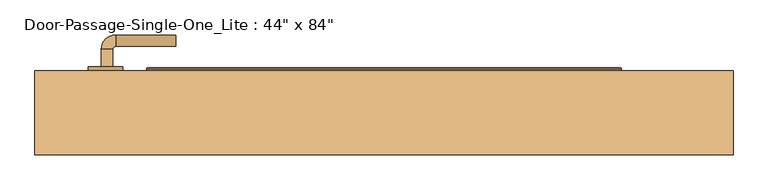
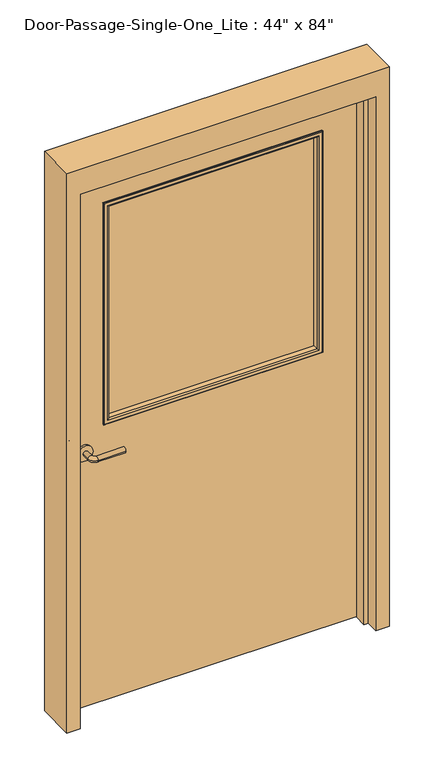
"""IFC4 building model written with IfcOpenShell, lengths in millimetres: door geometry."""

import ifcopenshell
import ifcopenshell.guid

model = None  # the IFC model being written
_history = None  # IfcOwnerHistory: only IFC2X3 demands one
_inside = {}  # id of a spatial element -> (the spatial element, [elements in it])
_under = {}  # id of a project, library or spatial element -> (it, [spatial elements below it])
_declared = {}  # id of a project -> (the project, [libraries it declares])
_typed = {}  # id of a type object -> (the type object, [elements of that type])
_made_of = {}  # id of a material, layer set ... -> (it, [elements and type objects made of it])


def new_model(schema):
    """Start an empty IFC model of exactly this schema.

    Asked for "IFC4X3", IfcOpenShell would pick the latest addendum, in which some entities
    have other attributes; the version numbers below select the first issue.
    IFC2X3 requires an IfcOwnerHistory on every rooted entity: one is made here for all.
    """
    global model, _history
    if schema == "IFC4X3":
        model = ifcopenshell.file(schema_version=(4, 3, 0, 0))
    else:
        model = ifcopenshell.file(schema=schema)
    _inside.clear()
    _under.clear()
    _declared.clear()
    _typed.clear()
    _made_of.clear()
    _history = None
    if model.schema == "IFC2X3":
        org = make("IfcOrganization", Name="unknown")
        user = make(
            "IfcPersonAndOrganization",
            ThePerson=make("IfcPerson", FamilyName="unknown"),
            TheOrganization=org,
        )
        app = make(
            "IfcApplication",
            ApplicationDeveloper=org,
            Version="unknown",
            ApplicationFullName="unknown",
            ApplicationIdentifier="unknown",
        )
        _history = make(
            "IfcOwnerHistory",
            OwningUser=user,
            OwningApplication=app,
            ChangeAction="ADDED",
            CreationDate=0,
        )
    return model


def make(cls, **values):
    """One entity of the class cls with the attributes given. An attribute that is None is left unset."""
    return model.create_entity(
        cls, **{name: value for name, value in values.items() if value is not None}
    )


def rooted(cls, **values):
    """An entity with a GlobalId (a new one), such as an element, a storey or a relation."""
    return make(cls, GlobalId=ifcopenshell.guid.new(), OwnerHistory=_history, **values)


def si_unit(unit_type, name, prefix=None):
    """IfcSIUnit, for example si_unit("LENGTHUNIT", "METRE", prefix="MILLI")."""
    return make("IfcSIUnit", UnitType=unit_type, Prefix=prefix, Name=name)


def assignment(units):
    """IfcUnitAssignment: the units of a project."""
    return None if units is None else make("IfcUnitAssignment", Units=units)


def point(xyz):
    """IfcCartesianPoint."""
    return None if xyz is None else make("IfcCartesianPoint", Coordinates=xyz)


def direction(xyz):
    """IfcDirection."""
    return None if xyz is None else make("IfcDirection", DirectionRatios=xyz)


def frame(location, z_axis=None, x_axis=None):
    """IfcAxis2Placement3D, a coordinate frame: its origin and axes. An axis left out is left unset."""
    return make(
        "IfcAxis2Placement3D",
        Location=point(location),
        Axis=direction(z_axis),
        RefDirection=direction(x_axis),
    )


def frame_2d(location, x_axis=None):
    """IfcAxis2Placement2D, a coordinate frame in the plane: its origin and x axis."""
    return make(
        "IfcAxis2Placement2D", Location=point(location), RefDirection=direction(x_axis)
    )


def origin():
    """The frame at (0, 0, 0) with its axes left unset."""
    return frame((0.0, 0.0, 0.0))


def place(relative_to, where):
    """IfcLocalPlacement: puts the frame where relative to a parent placement (None: the world)."""
    return make(
        "IfcLocalPlacement", PlacementRelTo=relative_to, RelativePlacement=where
    )


def context(
    kind, dimensions, precision=None, world=None, true_north=None, identifier=None
):
    """IfcGeometricRepresentationContext, for example the 3D "Model" context."""
    return make(
        "IfcGeometricRepresentationContext",
        ContextIdentifier=identifier,
        ContextType=kind,
        CoordinateSpaceDimension=dimensions,
        Precision=precision,
        WorldCoordinateSystem=world,
        TrueNorth=true_north,
    )


def project(units=None, contexts=None):
    """IfcProject with its units and contexts."""
    return rooted(
        "IfcProject",
        Name="project",
        RepresentationContexts=contexts,
        UnitsInContext=assignment(units),
    )


def spatial(cls, under=None, at=None, **own):
    """A site, building, storey or space (cls), placed at a placement, below another one or the project."""
    s = rooted(cls, ObjectPlacement=at, **own)
    if under is not None:
        _under.setdefault(under.id(), (under, []))[1].append(s)
    return s


def polyline(points):
    """IfcPolyline through the points."""
    return make("IfcPolyline", Points=[point(p) for p in points])


def circle_curve(where, radius):
    """IfcCircle in the frame where."""
    return make("IfcCircle", Position=where, Radius=radius)


def ellipse_curve(where, semi_axis1, semi_axis2):
    """IfcEllipse in the frame where."""
    return make(
        "IfcEllipse", Position=where, SemiAxis1=semi_axis1, SemiAxis2=semi_axis2
    )


def trimmed(basis, trim1, trim2, sense, master):
    """IfcTrimmedCurve: the piece of a basis curve between two trims."""
    return make(
        "IfcTrimmedCurve",
        BasisCurve=basis,
        Trim1=trim1,
        Trim2=trim2,
        SenseAgreement=sense,
        MasterRepresentation=master,
    )


def segment(curve, same_sense, transition):
    """IfcCompositeCurveSegment."""
    return make(
        "IfcCompositeCurveSegment",
        Transition=transition,
        SameSense=same_sense,
        ParentCurve=curve,
    )


def composite_curve(segments, self_intersect=None):
    """IfcCompositeCurve: segments joined end to end."""
    return make("IfcCompositeCurve", Segments=segments, SelfIntersect=self_intersect)


def outline(outer, holes=None, kind="AREA"):
    """IfcArbitraryClosedProfileDef: a profile drawn as a closed curve; with holes, ...WithVoids."""
    if holes is None:
        return make("IfcArbitraryClosedProfileDef", ProfileType=kind, OuterCurve=outer)
    return make(
        "IfcArbitraryProfileDefWithVoids",
        ProfileType=kind,
        OuterCurve=outer,
        InnerCurves=holes,
    )


def extrude(swept, where, along, depth):
    """IfcExtrudedAreaSolid: the profile swept, set in the frame where, extruded along a direction by depth."""
    return make(
        "IfcExtrudedAreaSolid",
        SweptArea=swept,
        Position=where,
        ExtrudedDirection=direction(along),
        Depth=depth,
    )


def faces_of(points, faces, orient=None, outer=None):
    """IfcFace entities. A face is a list of loops; a loop is a list of indices into points, from 0.

    orient and outer hold one flag for each loop. By default every Orientation is true, the
    first loop of a face is its IfcFaceOuterBound and the others are IfcFaceBound.
    """
    made = []
    for i, loops in enumerate(faces):
        bounds = []
        for j, loop in enumerate(loops):
            is_outer = j == 0 if outer is None else outer[i][j]
            bounds.append(
                make(
                    "IfcFaceOuterBound" if is_outer else "IfcFaceBound",
                    Bound=make("IfcPolyLoop", Polygon=[points[k] for k in loop]),
                    Orientation=True if orient is None else orient[i][j],
                )
            )
        made.append(make("IfcFace", Bounds=bounds))
    return made


def faceted_brep(points, faces, orient=None, outer=None, voids=None):
    """IfcFacetedBrep: a solid bounded by flat faces; with voids (closed shells), ...WithVoids."""
    shared = [point(p) for p in points]
    hull = make("IfcClosedShell", CfsFaces=faces_of(shared, faces, orient, outer))
    if voids is None:
        return make("IfcFacetedBrep", Outer=hull)
    return make(
        "IfcFacetedBrepWithVoids",
        Outer=hull,
        Voids=[
            make(cls, CfsFaces=faces_of(shared, fs, o, b)) for cls, fs, o, b in voids
        ],
    )


def shape(context_of_items, identifier, shape_type, items):
    """IfcShapeRepresentation: the items that make up one representation, for example the "Body"."""
    return make(
        "IfcShapeRepresentation",
        ContextOfItems=context_of_items,
        RepresentationIdentifier=identifier,
        RepresentationType=shape_type,
        Items=items,
    )


def source(mapping_origin, context_of_items, identifier, shape_type, items):
    """IfcRepresentationMap: a shape defined once, which mapped items show again and again."""
    return make(
        "IfcRepresentationMap",
        MappingOrigin=mapping_origin,
        MappedRepresentation=shape(context_of_items, identifier, shape_type, items),
    )


def transform(
    local_origin,
    x_axis=None,
    y_axis=None,
    z_axis=None,
    scale=None,
    scale2=None,
    scale3=None,
    uniform=True,
):
    """IfcCartesianTransformationOperator3D, or its non-uniform kind. x_axis, y_axis, z_axis: its Axis1, 2, 3."""
    if uniform:
        return make(
            "IfcCartesianTransformationOperator3D",
            Axis1=direction(x_axis),
            Axis2=direction(y_axis),
            LocalOrigin=point(local_origin),
            Scale=scale,
            Axis3=direction(z_axis),
        )
    return make(
        "IfcCartesianTransformationOperator3DnonUniform",
        Axis1=direction(x_axis),
        Axis2=direction(y_axis),
        LocalOrigin=point(local_origin),
        Scale=scale,
        Axis3=direction(z_axis),
        Scale2=scale2,
        Scale3=scale3,
    )


def mapped(mapping_source, mapping_target):
    """IfcMappedItem: shows the shape of a source again, moved by a transform."""
    return make(
        "IfcMappedItem", MappingSource=mapping_source, MappingTarget=mapping_target
    )


def made_of(thing, what):
    """Note that an element or type object is made of a material, layer set ...; save() writes the relation."""
    if what is not None:
        _made_of.setdefault(what.id(), (what, []))[1].append(thing)
    return thing


def element(
    cls,
    number,
    at=None,
    inside=None,
    cuts=None,
    type_object=None,
    material=None,
    context=None,
    identifier="Body",
    shape_type=None,
    held_by="IfcProductDefinitionShape",
    body=None,
    shapes=None,
    **own,
):
    """One element of the class cls, such as IfcWall. Its Tag is "e" and its number.

    at: its placement. inside: the storey or other place that contains it. cuts: it is an
    opening in that element (IfcRelVoidsElement). A single representation is given by context,
    identifier, shape_type and body (its items); several are given by shapes. held_by: the class
    of the entity that holds the representations. save() writes the other relations.
    """
    e = rooted(cls, Tag="e%d" % number, ObjectPlacement=at, **own)
    if body is not None:
        shapes = [shape(context, identifier, shape_type, body)]
    if shapes is not None:
        e.Representation = make(held_by, Representations=shapes)
    if inside is not None:
        _inside.setdefault(inside.id(), (inside, []))[1].append(e)
    if cuts is not None:
        rooted(
            "IfcRelVoidsElement", RelatingBuildingElement=cuts, RelatedOpeningElement=e
        )
    if type_object is not None:
        _typed.setdefault(type_object.id(), (type_object, []))[1].append(e)
    return made_of(e, material)


def aggregate(whole, parts):
    """IfcRelAggregates: a whole, such as a stair, and the parts it consists of."""
    return rooted("IfcRelAggregates", RelatingObject=whole, RelatedObjects=parts)


def save(model, path):
    """Write the relations noted so far, then the file.

    IfcRelAggregates (storeys below a building ...), IfcRelContainedInSpatialStructure (elements
    in a storey), IfcRelDefinesByType, IfcRelAssociatesMaterial and IfcRelDeclares: one each for
    every whole, place, type object, material and project.
    """
    for whole, parts in _under.values():
        aggregate(whole, parts)
    for where, things in _inside.values():
        rooted(
            "IfcRelContainedInSpatialStructure",
            RelatedElements=things,
            RelatingStructure=where,
        )
    for kind, things in _typed.values():
        rooted("IfcRelDefinesByType", RelatedObjects=things, RelatingType=kind)
    for what, things in _made_of.values():
        rooted("IfcRelAssociatesMaterial", RelatedObjects=things, RelatingMaterial=what)
    for by, libraries in _declared.values():
        rooted("IfcRelDeclares", RelatingContext=by, RelatedDefinitions=libraries)
    model.write(path)


def plane_surface(at):
    """IfcPlane: the flat surface through the origin of the frame at, square to its z axis."""
    return make("IfcPlane", Position=at)


def cylinder_surface(at, radius):
    """IfcCylindricalSurface: all points at the distance radius from the z axis of the frame at."""
    return make("IfcCylindricalSurface", Position=at, Radius=radius)


def revolved_surface(curve, axis_point, axis_direction):
    """IfcSurfaceOfRevolution: the curve turned about the line through axis_point along axis_direction."""
    return make(
        "IfcSurfaceOfRevolution",
        SweptCurve=make("IfcArbitraryOpenProfileDef", ProfileType="CURVE", Curve=curve),
        AxisPosition=make("IfcAxis1Placement", Location=point(axis_point), Axis=direction(axis_direction)),
    )


def advanced_brep(points, edges, surfaces, faces):
    """IfcAdvancedBrep: a solid bounded by faces that lie on surfaces and meet in shared edges.

    An edge is (start, end): straight between two places in points (the first is 0);
    or (start, end, curve); or (start, end, curve, False) where it runs against its curve.
    A face is (place in surfaces, loops), or (place, loops, False) where it looks against
    its surface's normal. A loop lists edges by number (the first is 1), with a minus sign
    where the edge is run from its end to its start. The first loop is the outer one.
    """
    corners = [point(p) for p in points]
    vertices = [make("IfcVertexPoint", VertexGeometry=c) for c in corners]
    made = []
    for start, end, *more in edges:
        made.append(
            make(
                "IfcEdgeCurve",
                EdgeStart=vertices[start],
                EdgeEnd=vertices[end],
                EdgeGeometry=more[0] if more else make("IfcPolyline", Points=[corners[start], corners[end]]),
                SameSense=more[1] if len(more) > 1 else True,
            )
        )
    hull = []
    for where, loops, *sense in faces:
        bounds = []
        for j, loop in enumerate(loops):
            ring = [make("IfcOrientedEdge", EdgeElement=made[abs(k) - 1], Orientation=k > 0) for k in loop]
            bounds.append(
                make(
                    "IfcFaceOuterBound" if j == 0 else "IfcFaceBound",
                    Bound=make("IfcEdgeLoop", EdgeList=ring),
                    Orientation=True,
                )
            )
        hull.append(make("IfcAdvancedFace", Bounds=bounds, FaceSurface=surfaces[where], SameSense=sense[0] if sense else True))
    return make("IfcAdvancedBrep", Outer=make("IfcClosedShell", CfsFaces=hull))


def door_b74c396d(model_context):
    return source(origin(), model_context, "Body", "SolidModel", [
        advanced_brep(
        [(-493.790625, 30.1, 1016.0), (-473.790625, 30.1, 1016.0), (-473.790625, 0.1, 1016.0), (-493.790625, 0.1, 1016.0), (-468.790625, -4.9, 1016.0), (-468.790625, -24.9, 1016.0), (-363.790625, -24.9, 1016.0), (-363.790625, -4.9, 1016.0)],
        [
            (0, 1, circle_curve(frame((-483.790625, 30.1, 1016.0), z_axis=(0.0, 1.0, 0.0), x_axis=(1.0, 0.0, 0.0)), 10.0)),
            (1, 0, circle_curve(frame((-483.790625, 30.1, 1016.0), z_axis=(0.0, 1.0, 0.0), x_axis=(1.0, 0.0, 0.0)), 10.0)),
            (1, 2),
            (2, 3, circle_curve(frame((-483.790625, 0.1, 1016.0), z_axis=(0.0, 1.0, 0.0), x_axis=(1.0, 0.0, 0.0)), 10.0)),
            (3, 0),
            (3, 2, circle_curve(frame((-483.790625, 0.1, 1016.0), z_axis=(0.0, 1.0, 0.0), x_axis=(1.0, 0.0, 0.0)), 10.0)),
            (4, 5, circle_curve(frame((-468.790625, -14.9, 1016.0), z_axis=(-1.0, 0.0, 0.0), x_axis=(0.0, 1.0, 0.0)), 10.0)),
            (5, 3, circle_curve(frame((-468.790625, 0.1, 1016.0), z_axis=(0.0, 0.0, -1.0), x_axis=(-1.0, 0.0, 0.0)), 25.0)),
            (2, 4, circle_curve(frame((-468.790625, 0.1, 1016.0), z_axis=(0.0, 0.0, 1.0), x_axis=(-1.0, 0.0, 0.0)), 5.0)),
            (5, 4, circle_curve(frame((-468.790625, -14.9, 1016.0), z_axis=(-1.0, 0.0, 0.0), x_axis=(0.0, 1.0, 0.0)), 10.0)),
            (6, 7, circle_curve(frame((-363.790625, -14.9, 1016.0), z_axis=(1.0, 0.0, 0.0), x_axis=(0.0, 1.0, 0.0)), 10.0)),
            (7, 6, circle_curve(frame((-363.790625, -14.9, 1016.0), z_axis=(1.0, 0.0, 0.0), x_axis=(0.0, 1.0, 0.0)), 10.0)),
            (4, 7),
            (6, 5),
        ],
        [
            plane_surface(frame((-483.790625, 30.1, 1016.0), z_axis=(0.0, 1.0, 0.0), x_axis=(0.0, 0.0, 1.0))),
            cylinder_surface(frame((-483.790625, 30.1, 1016.0), z_axis=(0.0, 1.0, 0.0), x_axis=(1.0, 0.0, 0.0)), 10.0),
            revolved_surface(trimmed(ellipse_curve(frame((-483.790625, 0.1, 1016.0), z_axis=(0.0, -1.0, 0.0), x_axis=(1.0, 0.0, 0.0)), 10.0, 10.0), [point((-493.790625, 0.1, 1016.0))], [point((-473.790625, 0.1, 1016.0))], True, "CARTESIAN"), (-468.790625, 0.1, 1016.0), (0.0, 0.0, -1.0)),
            revolved_surface(trimmed(ellipse_curve(frame((-483.790625, 0.1, 1016.0), z_axis=(0.0, -1.0, 0.0), x_axis=(1.0, 0.0, 0.0)), 10.0, 10.0), [point((-473.790625, 0.1, 1016.0))], [point((-493.790625, 0.1, 1016.0))], True, "CARTESIAN"), (-468.790625, 0.1, 1016.0), (0.0, 0.0, -1.0)),
            plane_surface(frame((-363.790625, -14.9, 1016.0), z_axis=(1.0, 0.0, 0.0), x_axis=(0.0, 0.0, 1.0))),
            cylinder_surface(frame((-468.790625, -14.9, 1016.0), z_axis=(-1.0, 0.0, 0.0), x_axis=(0.0, 1.0, 0.0)), 10.0),
        ],
        [
            (0, [[1, 2]]),
            (1, [[3, 4, 5, -2]]),
            (1, [[-5, 6, -3, -1]]),
            (2, [[7, 8, -4, 9]]),
            (3, [[10, -9, -6, -8]]),
            (4, [[11, 12]]),
            (5, [[13, -11, 14, -7]]),
            (5, [[-14, -12, -13, -10]]),
        ],
    ),
        extrude(outline(composite_curve([segment(trimmed(circle_curve(frame_2d((1016.0, -486.290625)), 30.0), [point((1016.0, -516.290625))], [point((1016.0, -456.290625))], False, "CARTESIAN"), True, "CONTINUOUS"), segment(trimmed(circle_curve(frame_2d((1016.0, -486.290625)), 30.0), [point((1016.0, -456.290625))], [point((1016.0, -516.290625))], False, "CARTESIAN"), True, "CONTINUOUS")], self_intersect=False)), frame((0.0, 30.1, 0.0), z_axis=(0.0, 1.0, 0.0), x_axis=(0.0, 0.0, 1.0)), (0.0, 0.0, 1.0), 8.0),
        advanced_brep(
        [(-493.790625, 90.55, 1016.0), (-473.790625, 90.55, 1016.0), (-493.790625, 120.55, 1016.0), (-473.790625, 120.55, 1016.0), (-468.790625, 125.55, 1016.0), (-468.790625, 145.55, 1016.0), (-363.790625, 145.55, 1016.0), (-363.790625, 125.55, 1016.0)],
        [
            (0, 1, circle_curve(frame((-483.790625, 90.55, 1016.0), z_axis=(0.0, -1.0, 0.0), x_axis=(1.0, 0.0, 0.0)), 10.0)),
            (1, 0, circle_curve(frame((-483.790625, 90.55, 1016.0), z_axis=(0.0, -1.0, 0.0), x_axis=(1.0, 0.0, 0.0)), 10.0)),
            (0, 2),
            (2, 3, circle_curve(frame((-483.790625, 120.55, 1016.0), z_axis=(0.0, -1.0, 0.0), x_axis=(1.0, 0.0, 0.0)), 10.0)),
            (3, 1),
            (3, 2, circle_curve(frame((-483.790625, 120.55, 1016.0), z_axis=(0.0, -1.0, 0.0), x_axis=(1.0, 0.0, 0.0)), 10.0)),
            (4, 3, circle_curve(frame((-468.790625, 120.55, 1016.0), z_axis=(0.0, 0.0, 1.0), x_axis=(-1.0, 0.0, 0.0)), 5.0)),
            (2, 5, circle_curve(frame((-468.790625, 120.55, 1016.0), z_axis=(0.0, 0.0, -1.0), x_axis=(-1.0, 0.0, 0.0)), 25.0)),
            (5, 4, circle_curve(frame((-468.790625, 135.55, 1016.0), z_axis=(-1.0, 0.0, 0.0), x_axis=(0.0, -1.0, 0.0)), 10.0)),
            (4, 5, circle_curve(frame((-468.790625, 135.55, 1016.0), z_axis=(-1.0, 0.0, 0.0), x_axis=(0.0, -1.0, 0.0)), 10.0)),
            (6, 7, circle_curve(frame((-363.790625, 135.55, 1016.0), z_axis=(1.0, 0.0, 0.0), x_axis=(0.0, -1.0, 0.0)), 10.0)),
            (7, 6, circle_curve(frame((-363.790625, 135.55, 1016.0), z_axis=(1.0, 0.0, 0.0), x_axis=(0.0, -1.0, 0.0)), 10.0)),
            (5, 6),
            (7, 4),
        ],
        [
            plane_surface(frame((-483.790625, 90.55, 1016.0), z_axis=(0.0, -1.0, 0.0), x_axis=(0.0, 0.0, 1.0))),
            cylinder_surface(frame((-483.790625, 90.55, 1016.0), z_axis=(0.0, -1.0, 0.0), x_axis=(1.0, 0.0, 0.0)), 10.0),
            revolved_surface(trimmed(ellipse_curve(frame((-483.790625, 120.55, 1016.0), z_axis=(0.0, -1.0, 0.0), x_axis=(1.0, 0.0, 0.0)), 10.0, 10.0), [point((-493.790625, 120.55, 1016.0))], [point((-473.790625, 120.55, 1016.0))], True, "CARTESIAN"), (-468.790625, 120.55, 1016.0), (0.0, 0.0, -1.0)),
            revolved_surface(trimmed(ellipse_curve(frame((-483.790625, 120.55, 1016.0), z_axis=(0.0, -1.0, 0.0), x_axis=(1.0, 0.0, 0.0)), 10.0, 10.0), [point((-473.790625, 120.55, 1016.0))], [point((-493.790625, 120.55, 1016.0))], True, "CARTESIAN"), (-468.790625, 120.55, 1016.0), (0.0, 0.0, -1.0)),
            plane_surface(frame((-363.790625, 135.55, 1016.0), z_axis=(1.0, 0.0, 0.0), x_axis=(0.0, 0.0, 1.0))),
            cylinder_surface(frame((-468.790625, 135.55, 1016.0), z_axis=(-1.0, 0.0, 0.0), x_axis=(0.0, -1.0, 0.0)), 10.0),
        ],
        [
            (0, [[1, 2]]),
            (1, [[-1, 3, 4, 5]]),
            (1, [[-2, -5, 6, -3]]),
            (2, [[7, -4, 8, 9]]),
            (3, [[-8, -6, -7, 10]]),
            (4, [[11, 12]]),
            (5, [[-9, 13, -12, 14]]),
            (5, [[-10, -14, -11, -13]]),
        ],
    ),
        extrude(outline(composite_curve([segment(trimmed(circle_curve(frame_2d((1016.0, -486.290625)), 30.0), [point((1016.0, -516.290625))], [point((1016.0, -456.290625))], False, "CARTESIAN"), True, "CONTINUOUS"), segment(trimmed(circle_curve(frame_2d((1016.0, -486.290625)), 30.0), [point((1016.0, -456.290625))], [point((1016.0, -516.290625))], False, "CARTESIAN"), True, "CONTINUOUS")], self_intersect=False)), frame((0.0, 82.55, 0.0), z_axis=(0.0, 1.0, 0.0), x_axis=(0.0, 0.0, 1.0)), (0.0, 0.0, 1.0), 8.0),
        faceted_brep([(558.8, 33.3375, 0.0), (558.8, 82.55, 0.0), (609.6, 82.55, 0.0), (609.6, -63.5, 0.0), (558.8, -63.5, 0.0), (558.8, -14.2875, 0.0), (542.925, -14.2875, 0.0), (542.925, 33.3375, 0.0), (558.8, 33.3375, 2133.6), (558.8, 82.55, 2133.6), (-558.8, 82.55, 2133.6), (-558.8, 82.55, 0.0), (-609.6, 82.55, 0.0), (-609.6, 82.55, 2235.2), (609.6, 82.55, 2235.2), (609.6, -63.5, 2235.2), (-609.6, -63.5, 2235.2), (-609.6, -63.5, 0.0), (-558.8, -63.5, 0.0), (-558.8, -63.5, 2133.6), (558.8, -63.5, 2133.6), (558.8, -14.2875, 2133.6), (-558.8, -14.2875, 2133.6), (-558.8, -14.2875, 0.0), (-542.925, -14.2875, 0.0), (-542.925, -14.2875, 2117.725), (542.925, -14.2875, 2117.725), (542.925, 33.3375, 2117.725), (-542.925, 33.3375, 2117.725), (-542.925, 33.3375, 0.0), (-558.8, 33.3375, 0.0), (-558.8, 33.3375, 2133.6)], [[[0, 1, 2, 3, 4, 5, 6, 7]], [[1, 0, 8, 9]], [[2, 1, 9, 10, 11, 12, 13, 14]], [[3, 2, 14, 15]], [[4, 3, 15, 16, 17, 18, 19, 20]], [[5, 4, 20, 21]], [[6, 5, 21, 22, 23, 24, 25, 26]], [[7, 6, 26, 27]], [[0, 7, 27, 28, 29, 30, 31, 8]], [[9, 8, 31, 10]], [[20, 19, 22, 21]], [[26, 25, 28, 27]], [[12, 11, 30, 29, 24, 23, 18, 17]], [[11, 10, 31, 30]], [[13, 12, 17, 16]], [[19, 18, 23, 22]], [[25, 24, 29, 28]], [[15, 14, 13, 16]]]),
        extrude(outline(polyline([(2133.6, -558.8), (0.0, -558.8), (0.0, 558.8), (2133.6, 558.8), (2133.6, -558.8)]), holes=[polyline([(1981.2, -406.4), (1981.2, 406.4), (1111.25, 406.4), (1111.25, -406.4), (1981.2, -406.4)])]), frame((0.0, 38.1, 0.0), z_axis=(0.0, 1.0, 0.0), x_axis=(0.0, 0.0, 1.0)), (0.0, 0.0, 1.0), 44.45),
        extrude(outline(polyline([(406.4, 57.15), (-406.4, 57.15), (-406.4, 63.5), (406.4, 63.5), (406.4, 57.15)])), frame((0.0, 0.0, 1111.25), z_axis=(0.0, 0.0, 1.0), x_axis=(1.0, 0.0, 0.0)), (0.0, 0.0, 1.0), 869.95),
        advanced_brep(
        [(-406.4, 57.15, 1111.25), (-406.4, 38.1, 1111.25), (-406.4, 38.1, 1981.2), (-406.4, 57.15, 1981.2), (-394.4, 37.1, 1123.25), (-394.4, 57.15, 1123.25), (-394.4, 57.15, 1969.2), (-394.4, 37.1, 1969.2), (-399.4, 32.1, 1118.25), (-399.4, 32.1, 1974.2), (-414.4, 34.1, 1103.25), (-412.4, 32.1, 1105.25), (-412.4, 32.1, 1987.2), (-414.4, 34.1, 1989.2), (-414.4, 38.1, 1103.25), (-414.4, 38.1, 1989.2), (406.4, 38.1, 1981.2), (406.4, 57.15, 1981.2), (394.4, 57.15, 1969.2), (394.4, 37.1, 1969.2), (399.4, 32.1, 1974.2), (412.4, 32.1, 1987.2), (414.4, 34.1, 1989.2), (414.4, 38.1, 1989.2), (406.4, 38.1, 1111.25), (406.4, 57.15, 1111.25), (394.4, 57.15, 1123.25), (394.4, 37.1, 1123.25), (399.4, 32.1, 1118.25), (412.4, 32.1, 1105.25), (414.4, 34.1, 1103.25), (414.4, 38.1, 1103.25)],
        [
            (0, 1),
            (1, 2),
            (2, 3),
            (3, 0),
            (4, 5),
            (5, 6),
            (6, 7),
            (7, 4),
            (8, 4, ellipse_curve(frame((-399.4, 37.1, 1118.25), z_axis=(-0.7071067811865475, 0.0, 0.7071067811865475), x_axis=(-0.7071067811865474, 0.0, -0.7071067811865476)), 7.0710678, 5.0)),
            (7, 9, ellipse_curve(frame((-399.4, 37.1, 1974.2), z_axis=(-0.7071067811865475, 0.0, -0.7071067811865475), x_axis=(0.7071067811865474, 0.0, -0.7071067811865476)), 7.0710678, 5.0)),
            (9, 8),
            (10, 11, ellipse_curve(frame((-412.4, 34.1, 1105.25), z_axis=(-0.7071067811865475, 0.0, 0.7071067811865475), x_axis=(-0.7071067811865474, 0.0, -0.7071067811865476)), 2.8284271, 2.0)),
            (11, 12),
            (12, 13, ellipse_curve(frame((-412.4, 34.1, 1987.2), z_axis=(-0.7071067811865475, 0.0, -0.7071067811865475), x_axis=(0.7071067811865474, 0.0, -0.7071067811865476)), 2.8284271, 2.0)),
            (13, 10),
            (14, 10),
            (13, 15),
            (15, 14),
            (2, 16),
            (16, 17),
            (17, 3),
            (6, 18),
            (18, 19),
            (19, 7),
            (19, 20, ellipse_curve(frame((399.4, 37.1, 1974.2), z_axis=(-0.7071067811865475, 0.0, 0.7071067811865475), x_axis=(-0.7071067811865476, 0.0, -0.7071067811865474)), 7.0710678, 5.0)),
            (20, 9),
            (12, 21),
            (21, 22, ellipse_curve(frame((412.4, 34.1, 1987.2), z_axis=(-0.7071067811865475, 0.0, 0.7071067811865475), x_axis=(-0.7071067811865476, 0.0, -0.7071067811865474)), 2.8284271, 2.0)),
            (22, 13),
            (22, 23),
            (23, 15),
            (16, 24),
            (24, 25),
            (25, 17),
            (18, 26),
            (26, 27),
            (27, 19),
            (27, 28, ellipse_curve(frame((399.4, 37.1, 1118.25), z_axis=(0.7071067811865475, 0.0, 0.7071067811865475), x_axis=(-0.7071067811865474, 0.0, 0.7071067811865476)), 7.0710678, 5.0)),
            (28, 20),
            (21, 29),
            (29, 30, ellipse_curve(frame((412.4, 34.1, 1105.25), z_axis=(0.7071067811865475, 0.0, 0.7071067811865475), x_axis=(-0.7071067811865474, 0.0, 0.7071067811865476)), 2.8284271, 2.0)),
            (30, 22),
            (30, 31),
            (31, 23),
            (31, 14),
            (1, 24),
            (0, 25),
            (5, 26),
            (4, 27),
            (8, 28),
            (11, 29),
            (10, 30),
        ],
        [
            plane_surface(frame((-406.4, 38.1, 1111.25), z_axis=(-1.0, 0.0, 0.0), x_axis=(0.0, 0.0, 1.0))),
            plane_surface(frame((-394.4, 57.15, 1123.25), z_axis=(1.0, 0.0, 0.0), x_axis=(0.0, 0.0, 1.0))),
            cylinder_surface(frame((-399.4, 37.1, 1111.25), z_axis=(0.0, 0.0, -1.0), x_axis=(-1.0, 0.0, 0.0)), 5.0),
            cylinder_surface(frame((-412.4, 34.1, 1111.25), z_axis=(0.0, 0.0, -1.0), x_axis=(-1.0, 0.0, 0.0)), 2.0),
            plane_surface(frame((-414.4, 34.1, 1103.25), z_axis=(-1.0, 0.0, 0.0), x_axis=(0.0, 0.0, 1.0))),
            plane_surface(frame((-406.4, 38.1, 1981.2), z_axis=(0.0, 0.0, 1.0), x_axis=(1.0, 0.0, 0.0))),
            plane_surface(frame((-394.4, 57.15, 1969.2), z_axis=(0.0, 0.0, -1.0), x_axis=(1.0, 0.0, 0.0))),
            cylinder_surface(frame((-406.4, 37.1, 1974.2), z_axis=(-1.0, 0.0, 0.0), x_axis=(0.0, 0.0, 1.0)), 5.0),
            cylinder_surface(frame((-406.4, 34.1, 1987.2), z_axis=(-1.0, 0.0, 0.0), x_axis=(0.0, 0.0, 1.0)), 2.0),
            plane_surface(frame((-414.4, 34.1, 1989.2), z_axis=(0.0, 0.0, 1.0), x_axis=(1.0, 0.0, 0.0))),
            plane_surface(frame((406.4, 38.1, 1981.2), z_axis=(1.0, 0.0, 0.0), x_axis=(0.0, 0.0, -1.0))),
            plane_surface(frame((394.4, 57.15, 1969.2), z_axis=(-1.0, 0.0, 0.0), x_axis=(0.0, 0.0, -1.0))),
            cylinder_surface(frame((399.4, 37.1, 1981.2), z_axis=(0.0, 0.0, 1.0), x_axis=(1.0, 0.0, 0.0)), 5.0),
            cylinder_surface(frame((412.4, 34.1, 1981.2), z_axis=(0.0, 0.0, 1.0), x_axis=(1.0, 0.0, 0.0)), 2.0),
            plane_surface(frame((414.4, 34.1, 1989.2), z_axis=(1.0, 0.0, 0.0), x_axis=(0.0, 0.0, -1.0))),
            plane_surface(frame((414.4, 38.1, 1103.25), z_axis=(0.0, 1.0, 0.0), x_axis=(-1.0, 0.0, 0.0))),
            plane_surface(frame((406.4, 38.1, 1111.25), z_axis=(0.0, 0.0, -1.0), x_axis=(-1.0, 0.0, 0.0))),
            plane_surface(frame((406.4, 57.15, 1111.25), z_axis=(0.0, 1.0, 0.0), x_axis=(-1.0, 0.0, 0.0))),
            plane_surface(frame((394.4, 57.15, 1123.25), z_axis=(0.0, 0.0, 1.0), x_axis=(-1.0, 0.0, 0.0))),
            cylinder_surface(frame((406.4, 37.1, 1118.25), z_axis=(1.0, 0.0, 0.0), x_axis=(0.0, 0.0, -1.0)), 5.0),
            plane_surface(frame((399.4, 32.1, 1118.25), z_axis=(0.0, -1.0, 0.0), x_axis=(-1.0, 0.0, 0.0))),
            cylinder_surface(frame((406.4, 34.1, 1105.25), z_axis=(1.0, 0.0, 0.0), x_axis=(0.0, 0.0, -1.0)), 2.0),
            plane_surface(frame((414.4, 34.1, 1103.25), z_axis=(0.0, 0.0, -1.0), x_axis=(-1.0, 0.0, 0.0))),
        ],
        [
            (0, [[1, 2, 3, 4]]),
            (1, [[5, 6, 7, 8]]),
            (2, [[9, -8, 10, 11]]),
            (3, [[12, 13, 14, 15]]),
            (4, [[16, -15, 17, 18]]),
            (5, [[-3, 19, 20, 21]]),
            (6, [[-7, 22, 23, 24]]),
            (7, [[-10, -24, 25, 26]]),
            (8, [[-14, 27, 28, 29]]),
            (9, [[-17, -29, 30, 31]]),
            (10, [[-20, 32, 33, 34]]),
            (11, [[-23, 35, 36, 37]]),
            (12, [[-25, -37, 38, 39]]),
            (13, [[-28, 40, 41, 42]]),
            (14, [[-30, -42, 43, 44]]),
            (15, [[-31, -44, 45, -18], [46, -32, -19, -2]]),
            (16, [[-33, -46, -1, 47]]),
            (17, [[-21, -34, -47, -4], [48, -35, -22, -6]]),
            (18, [[-36, -48, -5, 49]]),
            (19, [[-38, -49, -9, 50]]),
            (20, [[51, -40, -27, -13], [-26, -39, -50, -11]]),
            (21, [[-41, -51, -12, 52]]),
            (22, [[-43, -52, -16, -45]]),
        ],
    ),
        advanced_brep(
        [(-406.4, 63.5, 1981.2), (-406.4, 82.55, 1981.2), (-406.4, 82.55, 1111.25), (-406.4, 63.5, 1111.25), (-394.4, 83.55, 1969.2), (-394.4, 63.5, 1969.2), (-394.4, 63.5, 1123.25), (-394.4, 83.55, 1123.25), (-399.4, 88.55, 1974.2), (-399.4, 88.55, 1118.25), (-414.4, 86.55, 1989.2), (-412.4, 88.55, 1987.2), (-412.4, 88.55, 1105.25), (-414.4, 86.55, 1103.25), (-414.4, 82.55, 1989.2), (-414.4, 82.55, 1103.25), (406.4, 82.55, 1111.25), (406.4, 63.5, 1111.25), (394.4, 63.5, 1123.25), (394.4, 83.55, 1123.25), (399.4, 88.55, 1118.25), (412.4, 88.55, 1105.25), (414.4, 86.55, 1103.25), (414.4, 82.55, 1103.25), (406.4, 82.55, 1981.2), (406.4, 63.5, 1981.2), (394.4, 63.5, 1969.2), (394.4, 83.55, 1969.2), (399.4, 88.55, 1974.2), (412.4, 88.55, 1987.2), (414.4, 86.55, 1989.2), (414.4, 82.55, 1989.2)],
        [
            (0, 1),
            (1, 2),
            (2, 3),
            (3, 0),
            (4, 5),
            (5, 6),
            (6, 7),
            (7, 4),
            (8, 4, ellipse_curve(frame((-399.4, 83.55, 1974.2), z_axis=(-0.7071067811865475, 0.0, -0.7071067811865475), x_axis=(-0.7071067811865474, 0.0, 0.7071067811865476)), 7.0710678, 5.0)),
            (7, 9, ellipse_curve(frame((-399.4, 83.55, 1118.25), z_axis=(-0.7071067811865475, 0.0, 0.7071067811865475), x_axis=(0.7071067811865474, 0.0, 0.7071067811865476)), 7.0710678, 5.0)),
            (9, 8),
            (10, 11, ellipse_curve(frame((-412.4, 86.55, 1987.2), z_axis=(-0.7071067811865475, 0.0, -0.7071067811865475), x_axis=(-0.7071067811865474, 0.0, 0.7071067811865476)), 2.8284271, 2.0)),
            (11, 12),
            (12, 13, ellipse_curve(frame((-412.4, 86.55, 1105.25), z_axis=(-0.7071067811865475, 0.0, 0.7071067811865475), x_axis=(0.7071067811865474, 0.0, 0.7071067811865476)), 2.8284271, 2.0)),
            (13, 10),
            (14, 10),
            (13, 15),
            (15, 14),
            (2, 16),
            (16, 17),
            (17, 3),
            (6, 18),
            (18, 19),
            (19, 7),
            (19, 20, ellipse_curve(frame((399.4, 83.55, 1118.25), z_axis=(-0.7071067811865475, 0.0, -0.7071067811865475), x_axis=(-0.7071067811865476, 0.0, 0.7071067811865474)), 7.0710678, 5.0)),
            (20, 9),
            (12, 21),
            (21, 22, ellipse_curve(frame((412.4, 86.55, 1105.25), z_axis=(-0.7071067811865475, 0.0, -0.7071067811865475), x_axis=(-0.7071067811865476, 0.0, 0.7071067811865474)), 2.8284271, 2.0)),
            (22, 13),
            (22, 23),
            (23, 15),
            (16, 24),
            (24, 25),
            (25, 17),
            (18, 26),
            (26, 27),
            (27, 19),
            (27, 28, ellipse_curve(frame((399.4, 83.55, 1974.2), z_axis=(0.7071067811865475, 0.0, -0.7071067811865475), x_axis=(-0.7071067811865474, 0.0, -0.7071067811865476)), 7.0710678, 5.0)),
            (28, 20),
            (21, 29),
            (29, 30, ellipse_curve(frame((412.4, 86.55, 1987.2), z_axis=(0.7071067811865475, 0.0, -0.7071067811865475), x_axis=(-0.7071067811865474, 0.0, -0.7071067811865476)), 2.8284271, 2.0)),
            (30, 22),
            (30, 31),
            (31, 23),
            (31, 14),
            (1, 24),
            (0, 25),
            (5, 26),
            (4, 27),
            (8, 28),
            (11, 29),
            (10, 30),
        ],
        [
            plane_surface(frame((-406.4, 82.55, 1981.2), z_axis=(-1.0, 0.0, 0.0), x_axis=(0.0, 0.0, -1.0))),
            plane_surface(frame((-394.4, 63.5, 1969.2), z_axis=(1.0, 0.0, 0.0), x_axis=(0.0, 0.0, -1.0))),
            cylinder_surface(frame((-399.4, 83.55, 1981.2), z_axis=(0.0, 0.0, 1.0), x_axis=(-1.0, 0.0, 0.0)), 5.0),
            cylinder_surface(frame((-412.4, 86.55, 1981.2), z_axis=(0.0, 0.0, 1.0), x_axis=(-1.0, 0.0, 0.0)), 2.0),
            plane_surface(frame((-414.4, 86.55, 1989.2), z_axis=(-1.0, 0.0, 0.0), x_axis=(0.0, 0.0, -1.0))),
            plane_surface(frame((-406.4, 82.55, 1111.25), z_axis=(0.0, 0.0, -1.0), x_axis=(1.0, 0.0, 0.0))),
            plane_surface(frame((-394.4, 63.5, 1123.25), z_axis=(0.0, 0.0, 1.0), x_axis=(1.0, 0.0, 0.0))),
            cylinder_surface(frame((-406.4, 83.55, 1118.25), z_axis=(-1.0, 0.0, 0.0), x_axis=(0.0, 0.0, -1.0)), 5.0),
            cylinder_surface(frame((-406.4, 86.55, 1105.25), z_axis=(-1.0, 0.0, 0.0), x_axis=(0.0, 0.0, -1.0)), 2.0),
            plane_surface(frame((-414.4, 86.55, 1103.25), z_axis=(0.0, 0.0, -1.0), x_axis=(1.0, 0.0, 0.0))),
            plane_surface(frame((406.4, 82.55, 1111.25), z_axis=(1.0, 0.0, 0.0), x_axis=(0.0, 0.0, 1.0))),
            plane_surface(frame((394.4, 63.5, 1123.25), z_axis=(-1.0, 0.0, 0.0), x_axis=(0.0, 0.0, 1.0))),
            cylinder_surface(frame((399.4, 83.55, 1111.25), z_axis=(0.0, 0.0, -1.0), x_axis=(1.0, 0.0, 0.0)), 5.0),
            cylinder_surface(frame((412.4, 86.55, 1111.25), z_axis=(0.0, 0.0, -1.0), x_axis=(1.0, 0.0, 0.0)), 2.0),
            plane_surface(frame((414.4, 86.55, 1103.25), z_axis=(1.0, 0.0, 0.0), x_axis=(0.0, 0.0, 1.0))),
            plane_surface(frame((414.4, 82.55, 1989.2), z_axis=(0.0, -1.0, 0.0), x_axis=(-1.0, 0.0, 0.0))),
            plane_surface(frame((406.4, 82.55, 1981.2), z_axis=(0.0, 0.0, 1.0), x_axis=(-1.0, 0.0, 0.0))),
            plane_surface(frame((406.4, 63.5, 1981.2), z_axis=(0.0, -1.0, 0.0), x_axis=(-1.0, 0.0, 0.0))),
            plane_surface(frame((394.4, 63.5, 1969.2), z_axis=(0.0, 0.0, -1.0), x_axis=(-1.0, 0.0, 0.0))),
            cylinder_surface(frame((406.4, 83.55, 1974.2), z_axis=(1.0, 0.0, 0.0), x_axis=(0.0, 0.0, 1.0)), 5.0),
            plane_surface(frame((399.4, 88.55, 1974.2), z_axis=(0.0, 1.0, 0.0), x_axis=(-1.0, 0.0, 0.0))),
            cylinder_surface(frame((406.4, 86.55, 1987.2), z_axis=(1.0, 0.0, 0.0), x_axis=(0.0, 0.0, 1.0)), 2.0),
            plane_surface(frame((414.4, 86.55, 1989.2), z_axis=(0.0, 0.0, 1.0), x_axis=(-1.0, 0.0, 0.0))),
        ],
        [
            (0, [[1, 2, 3, 4]]),
            (1, [[5, 6, 7, 8]]),
            (2, [[9, -8, 10, 11]]),
            (3, [[12, 13, 14, 15]]),
            (4, [[16, -15, 17, 18]]),
            (5, [[-3, 19, 20, 21]]),
            (6, [[-7, 22, 23, 24]]),
            (7, [[-10, -24, 25, 26]]),
            (8, [[-14, 27, 28, 29]]),
            (9, [[-17, -29, 30, 31]]),
            (10, [[-20, 32, 33, 34]]),
            (11, [[-23, 35, 36, 37]]),
            (12, [[-25, -37, 38, 39]]),
            (13, [[-28, 40, 41, 42]]),
            (14, [[-30, -42, 43, 44]]),
            (15, [[-31, -44, 45, -18], [46, -32, -19, -2]]),
            (16, [[-33, -46, -1, 47]]),
            (17, [[-21, -34, -47, -4], [48, -35, -22, -6]]),
            (18, [[-36, -48, -5, 49]]),
            (19, [[-38, -49, -9, 50]]),
            (20, [[51, -40, -27, -13], [-26, -39, -50, -11]]),
            (21, [[-41, -51, -12, 52]]),
            (22, [[-43, -52, -16, -45]]),
        ],
    ),
    ])


if __name__ == "__main__":
    model = new_model("IFC4")
    model_context = context("Model", 3, world=origin())
    ifc_project = project(units=[si_unit("LENGTHUNIT", "METRE", prefix="MILLI")], contexts=[model_context])
    site = spatial("IfcSite", under=ifc_project)
    building = spatial("IfcBuilding", under=site)
    placement = place(None, origin())
    door_shape = door_b74c396d(model_context)
    element("IfcDoor", 1, ObjectType="Door-Passage-Single-One_Lite : 44\" x 84\"", at=placement, inside=building, context=model_context, shape_type="MappedRepresentation", body=[
        mapped(door_shape, transform((0.0, 0.0, 0.0), x_axis=(1.0, 0.0, 0.0), y_axis=(0.0, 1.0, 0.0), z_axis=(0.0, 0.0, 1.0))),
    ])
    save(model, "model.ifc")
